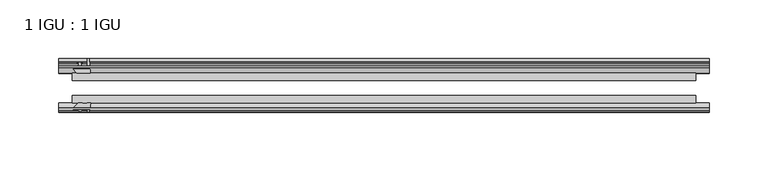
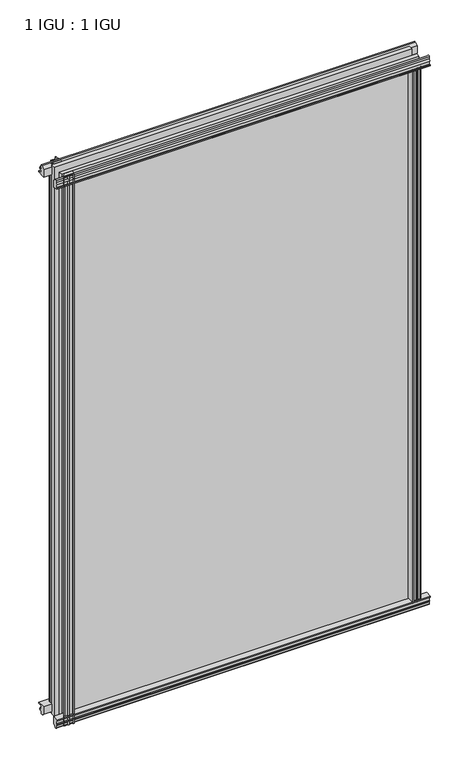
"""IFC4 building model written with IfcOpenShell, lengths in millimetres: plate geometry, 1 IGU : 1 IGU."""

from ifc_helpers import new_model, si_unit, point, frame, frame_2d, origin, origin_with_axes, place, context, project, spatial, polyline, circle_curve, trimmed, segment, composite_curve, outline, extrude, source, transform, mapped, element, save


def plate_1_igu_1_igu_05871088(model_context):
    return source(origin(), model_context, "Body", "SweptSolid", [
        extrude(outline(polyline([(-24.9039062, 2.5763839), (-12.2039062, 1.5739665), (-12.2039062, 0.0), (-18.5539062, 0.0), (-18.5539062, -4.953), (-16.254502, -5.5691235), (-16.6301757, -4.1670901), (-15.7714677, -3.937), (-15.1249062, -6.35), (-15.7714677, -8.763), (-16.6301757, -8.5329099), (-16.254502, -7.1308765), (-18.5539062, -7.747), (-18.5539062, -12.7), (-20.5859062, -12.7), (-24.9039062, -9.1036931), (-24.9039062, 2.5763839)])), frame((-277.7674496, 0.0, 0.0), z_axis=(1.0, 0.0, 0.0), x_axis=(0.0, 1.0, 0.0)), (0.0, 0.0, 1.0), 555.5348992),
        extrude(outline(composite_curve([segment(polyline([(-58.2287402, 1.5687054), (-50.3039062, 3.0983599), (-50.3039062, -7.92383), (-54.4858806, -12.1058044)]), True, "CONTINUOUS"), segment(trimmed(circle_curve(frame_2d((-55.3839062, -11.2077788)), 1.27), [point((-54.4858806, -12.1058044))], [point((-56.6539062, -11.2077788))], False, "CARTESIAN"), True, "CONTINUOUS"), segment(polyline([(-56.6539062, -11.2077788), (-56.6539062, -8.0327788), (-58.1332022, -5.4488186), (-56.6539062, -5.1879788), (-56.6539062, 0.2222212), (-58.2287402, 0.0), (-58.2287402, 1.5687054)]), True, "CONTINUOUS")], self_intersect=False)), frame((-277.7674496, 0.0, 0.0), z_axis=(1.0, 0.0, 0.0), x_axis=(0.0, 1.0, 0.0)), (0.0, 0.0, 1.0), 555.5348992),
        extrude(outline(polyline([(-18.5539063, 845.956525), (-16.254502, 845.3404015), (-16.6301757, 846.7424349), (-15.7714677, 846.972525), (-15.1249063, 844.559525), (-15.7714677, 842.146525), (-16.6301757, 842.3766151), (-16.254502, 843.7786485), (-18.5539063, 843.162525), (-18.5539063, 838.209525), (-12.2039062, 838.209525), (-12.2039062, 836.6355585), (-24.9039063, 835.6331411), (-24.9039063, 847.3132181), (-20.5859063, 850.909525), (-18.5539063, 850.909525), (-18.5539063, 845.956525)])), frame((-277.7674496, 0.0, 0.0), z_axis=(1.0, 0.0, 0.0), x_axis=(0.0, 1.0, 0.0)), (0.0, 0.0, 1.0), 555.5348992),
        extrude(outline(composite_curve([segment(polyline([(-50.3039063, 846.133355), (-50.3039063, 835.1111651), (-58.2287402, 836.6408196), (-58.2287402, 838.209525), (-56.6539063, 837.9873038), (-56.6539063, 843.3975038), (-58.1332023, 843.6583436), (-56.6539063, 846.2423038), (-56.6539063, 849.4173038)]), True, "CONTINUOUS"), segment(trimmed(circle_curve(frame_2d((-55.3839063, 849.4173038)), 1.27), [point((-56.6539063, 849.4173038))], [point((-54.4858806, 850.3153294))], False, "CARTESIAN"), True, "CONTINUOUS"), segment(polyline([(-54.4858806, 850.3153294), (-50.3039063, 846.133355)]), True, "CONTINUOUS")], self_intersect=False)), frame((-277.7674496, 0.0, 0.0), z_axis=(1.0, 0.0, 0.0), x_axis=(0.0, 1.0, 0.0)), (0.0, 0.0, 1.0), 555.5348992),
        extrude(outline(composite_curve([segment(polyline([(251.4746056, -57.3876965), (250.1072897, -50.3039063), (261.1294796, -50.3039063), (265.311454, -54.4858806)]), True, "CONTINUOUS"), segment(trimmed(circle_curve(frame_2d((264.4134284, -55.3839062)), 1.27), [point((265.311454, -54.4858806))], [point((264.4134284, -56.6539062))], False, "CARTESIAN"), True, "CONTINUOUS"), segment(polyline([(264.4134284, -56.6539062), (261.2384284, -56.6539063), (258.6544682, -58.1332023), (258.3936284, -56.6539063), (252.9834284, -56.6539063), (253.2056496, -58.2287402), (252.2413288, -58.2014026)]), True, "CONTINUOUS"), segment(trimmed(circle_curve(frame_2d((252.4754284, -57.2127402)), 1.016), [point((252.2413288, -58.2014026))], [point((251.4746056, -57.3876965))], False, "CARTESIAN"), True, "CONTINUOUS")], self_intersect=False)), origin_with_axes(), (0.0, 0.0, 1.0), 838.6064),
        extrude(outline(polyline([(258.1586496, -18.5539062), (258.7747731, -16.254502), (257.3727397, -16.6301757), (257.1426496, -15.7714677), (259.5556496, -15.1249062), (261.9686496, -15.7714677), (261.7385595, -16.6301757), (260.3365261, -16.254502), (260.9526496, -18.5539062), (265.9056496, -18.5539062), (265.9056496, -20.5859063), (262.3093427, -24.9039063), (250.6292657, -24.9039063), (251.631683, -12.2039062), (253.2056496, -12.2039062), (253.2056496, -18.5539062), (258.1586496, -18.5539062)])), origin_with_axes(), (0.0, 0.0, 1.0), 838.6064),
        extrude(outline(composite_curve([segment(polyline([(-261.2384284, -56.6539062), (-264.4134284, -56.6539062)]), True, "CONTINUOUS"), segment(trimmed(circle_curve(frame_2d((-264.4134284, -55.3839062)), 1.27), [point((-264.4134284, -56.6539062))], [point((-265.311454, -54.4858806))], False, "CARTESIAN"), True, "CONTINUOUS"), segment(polyline([(-265.311454, -54.4858806), (-261.1294796, -50.3039062), (-257.4599341, -50.3039062)]), True, "CONTINUOUS"), segment(trimmed(circle_curve(frame_2d((-255.3964284, -46.3669062)), 4.445), [point((-257.4599341, -50.3039062))], [point((-253.3329226, -50.3039062))], True, "CARTESIAN"), True, "CONTINUOUS"), segment(polyline([(-253.3329226, -50.3039062), (-250.1072897, -50.3039062), (-251.6369442, -58.2287402), (-253.2056496, -58.2287402), (-252.9834284, -56.6539062), (-258.3936284, -56.6539062), (-258.6544682, -58.1332022), (-261.2384284, -56.6539062)]), True, "CONTINUOUS")], self_intersect=False)), frame((0.0, 0.0, -12.7), z_axis=(0.0, 0.0, 1.0), x_axis=(1.0, 0.0, 0.0)), (0.0, 0.0, 1.0), 863.609525),
        extrude(outline(polyline([(-250.6292657, -24.9039062), (-262.3093427, -24.9039062), (-265.9056496, -20.5859062), (-265.9056496, -18.5539062), (-260.9526496, -18.5539062), (-260.3365261, -16.254502), (-261.7385595, -16.6301757), (-261.9686496, -15.7714677), (-259.5556496, -15.1249062), (-257.1426496, -15.7714677), (-257.3727397, -16.6301757), (-258.7747731, -16.254502), (-258.1586496, -18.5539062), (-253.2056496, -18.5539062), (-253.2056496, -12.2039062), (-251.631683, -12.2039062), (-250.6292657, -24.9039062)])), frame((0.0, 0.0, -12.7), z_axis=(0.0, 0.0, 1.0), x_axis=(1.0, 0.0, 0.0)), (0.0, 0.0, 1.0), 863.609525),
        extrude(outline(polyline([(265.9056496, -24.9039062), (265.9056496, -31.2031063), (-265.9056496, -31.2031063), (-265.9056496, -24.9039062), (265.9056496, -24.9039062)])), frame((0.0, 0.0, -12.7), z_axis=(0.0, 0.0, 1.0), x_axis=(1.0, 0.0, 0.0)), (0.0, 0.0, 1.0), 863.609525),
        extrude(outline(polyline([(-265.9056496, -44.0047063), (265.9056496, -44.0047063), (265.9056496, -50.3039062), (-265.9056496, -50.3039062), (-265.9056496, -44.0047063)])), frame((0.0, 0.0, -12.7), z_axis=(0.0, 0.0, 1.0), x_axis=(1.0, 0.0, 0.0)), (0.0, 0.0, 1.0), 863.609525),
    ])


if __name__ == "__main__":
    model = new_model("IFC4")
    model_context = context("Model", 3, world=origin())
    ifc_project = project(units=[si_unit("LENGTHUNIT", "METRE", prefix="MILLI")], contexts=[model_context])
    site = spatial("IfcSite", under=ifc_project)
    building = spatial("IfcBuilding", under=site)
    placement = place(None, origin())
    plate_1_igu_1_igu_shape = plate_1_igu_1_igu_05871088(model_context)
    element("IfcPlate", 1, ObjectType="1 IGU : 1 IGU", at=placement, inside=building, context=model_context, shape_type="MappedRepresentation", body=[
        mapped(plate_1_igu_1_igu_shape, transform((0.0, 0.0, 0.0), x_axis=(1.0, 0.0, 0.0), y_axis=(0.0, 1.0, 0.0), z_axis=(0.0, 0.0, 1.0))),
    ])
    save(model, "model.ifc")
